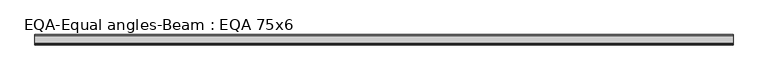
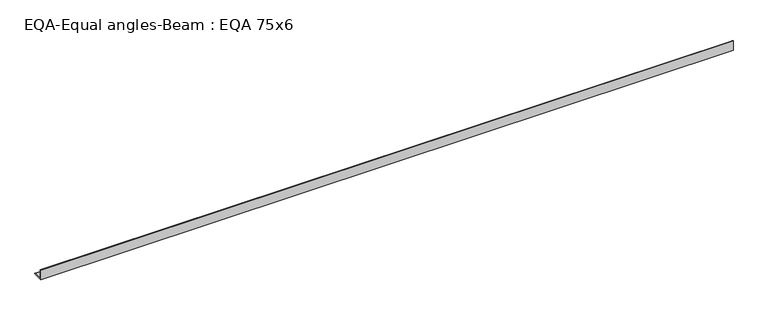
"""IFC4 building model written with IfcOpenShell, lengths in millimetres: beam geometry, EQA-Equal angles-Beam : EQA 75x6."""

from ifc_helpers import new_model, si_unit, point, frame, frame_2d, origin, place, context, project, spatial, polyline, circle_curve, trimmed, segment, composite_curve, outline, extrude, source, transform, mapped, element, save


def eqa_equal_angles_beam_eqa_75x6_1a1614c3(model_context):
    return source(origin(), model_context, "Body", "SweptSolid", [
        extrude(outline(composite_curve([segment(polyline([(-20.5, -20.5), (-20.5, 54.5), (-19.0, 54.5)]), True, "CONTINUOUS"), segment(trimmed(circle_curve(frame_2d((-19.0, 50.0)), 4.5), [point((-19.0, 54.5))], [point((-14.5, 50.0))], False, "CARTESIAN"), True, "CONTINUOUS"), segment(polyline([(-14.5, 50.0), (-14.5, -5.5)]), True, "CONTINUOUS"), segment(trimmed(circle_curve(frame_2d((-5.5, -5.5)), 9.0), [point((-14.5, -5.5))], [point((-5.5, -14.5))], True, "CARTESIAN"), True, "CONTINUOUS"), segment(polyline([(-5.5, -14.5), (50.0, -14.5)]), True, "CONTINUOUS"), segment(trimmed(circle_curve(frame_2d((50.0, -19.0)), 4.5), [point((50.0, -14.5))], [point((54.5, -19.0))], False, "CARTESIAN"), True, "CONTINUOUS"), segment(polyline([(54.5, -19.0), (54.5, -20.5), (-20.5, -20.5)]), True, "CONTINUOUS")], self_intersect=False)), frame((-2525.26831, 0.0, 0.0), z_axis=(1.0, 0.0, 0.0), x_axis=(0.0, 1.0, 0.0)), (0.0, 0.0, 1.0), 5091.4744506),
    ])


if __name__ == "__main__":
    model = new_model("IFC4")
    model_context = context("Model", 3, world=origin())
    ifc_project = project(units=[si_unit("LENGTHUNIT", "METRE", prefix="MILLI")], contexts=[model_context])
    site = spatial("IfcSite", under=ifc_project)
    building = spatial("IfcBuilding", under=site)
    placement = place(None, origin())
    eqa_equal_angles_beam_eqa_75x6_shape = eqa_equal_angles_beam_eqa_75x6_1a1614c3(model_context)
    element("IfcBeam", 1, ObjectType="EQA-Equal angles-Beam : EQA 75x6", at=placement, inside=building, context=model_context, shape_type="MappedRepresentation", body=[
        mapped(eqa_equal_angles_beam_eqa_75x6_shape, transform((0.0, 0.0, 0.0), x_axis=(1.0, 0.0, 0.0), y_axis=(0.0, 1.0, 0.0), z_axis=(0.0, 0.0, 1.0))),
    ])
    save(model, "model.ifc")
